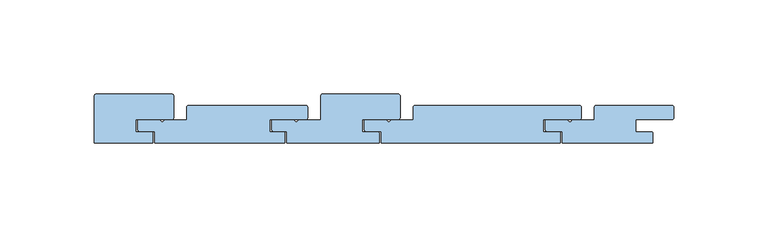
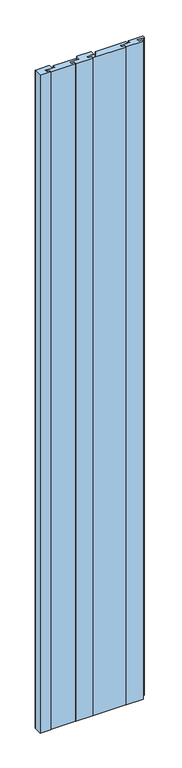
"""IFC4 building model written with IfcOpenShell, lengths in millimetres: window geometry."""

import ifcopenshell
import ifcopenshell.guid

model = None  # the IFC model being written
_history = None  # IfcOwnerHistory: only IFC2X3 demands one
_inside = {}  # id of a spatial element -> (the spatial element, [elements in it])
_under = {}  # id of a project, library or spatial element -> (it, [spatial elements below it])
_declared = {}  # id of a project -> (the project, [libraries it declares])
_typed = {}  # id of a type object -> (the type object, [elements of that type])
_made_of = {}  # id of a material, layer set ... -> (it, [elements and type objects made of it])


def new_model(schema):
    """Start an empty IFC model of exactly this schema.

    Asked for "IFC4X3", IfcOpenShell would pick the latest addendum, in which some entities
    have other attributes; the version numbers below select the first issue.
    IFC2X3 requires an IfcOwnerHistory on every rooted entity: one is made here for all.
    """
    global model, _history
    if schema == "IFC4X3":
        model = ifcopenshell.file(schema_version=(4, 3, 0, 0))
    else:
        model = ifcopenshell.file(schema=schema)
    _inside.clear()
    _under.clear()
    _declared.clear()
    _typed.clear()
    _made_of.clear()
    _history = None
    if model.schema == "IFC2X3":
        org = make("IfcOrganization", Name="unknown")
        user = make(
            "IfcPersonAndOrganization",
            ThePerson=make("IfcPerson", FamilyName="unknown"),
            TheOrganization=org,
        )
        app = make(
            "IfcApplication",
            ApplicationDeveloper=org,
            Version="unknown",
            ApplicationFullName="unknown",
            ApplicationIdentifier="unknown",
        )
        _history = make(
            "IfcOwnerHistory",
            OwningUser=user,
            OwningApplication=app,
            ChangeAction="ADDED",
            CreationDate=0,
        )
    return model


def make(cls, **values):
    """One entity of the class cls with the attributes given. An attribute that is None is left unset."""
    return model.create_entity(
        cls, **{name: value for name, value in values.items() if value is not None}
    )


def rooted(cls, **values):
    """An entity with a GlobalId (a new one), such as an element, a storey or a relation."""
    return make(cls, GlobalId=ifcopenshell.guid.new(), OwnerHistory=_history, **values)


def si_unit(unit_type, name, prefix=None):
    """IfcSIUnit, for example si_unit("LENGTHUNIT", "METRE", prefix="MILLI")."""
    return make("IfcSIUnit", UnitType=unit_type, Prefix=prefix, Name=name)


def assignment(units):
    """IfcUnitAssignment: the units of a project."""
    return None if units is None else make("IfcUnitAssignment", Units=units)


def point(xyz):
    """IfcCartesianPoint."""
    return None if xyz is None else make("IfcCartesianPoint", Coordinates=xyz)


def direction(xyz):
    """IfcDirection."""
    return None if xyz is None else make("IfcDirection", DirectionRatios=xyz)


def frame(location, z_axis=None, x_axis=None):
    """IfcAxis2Placement3D, a coordinate frame: its origin and axes. An axis left out is left unset."""
    return make(
        "IfcAxis2Placement3D",
        Location=point(location),
        Axis=direction(z_axis),
        RefDirection=direction(x_axis),
    )


def origin():
    """The frame at (0, 0, 0) with its axes left unset."""
    return frame((0.0, 0.0, 0.0))


def place(relative_to, where):
    """IfcLocalPlacement: puts the frame where relative to a parent placement (None: the world)."""
    return make(
        "IfcLocalPlacement", PlacementRelTo=relative_to, RelativePlacement=where
    )


def context(
    kind, dimensions, precision=None, world=None, true_north=None, identifier=None
):
    """IfcGeometricRepresentationContext, for example the 3D "Model" context."""
    return make(
        "IfcGeometricRepresentationContext",
        ContextIdentifier=identifier,
        ContextType=kind,
        CoordinateSpaceDimension=dimensions,
        Precision=precision,
        WorldCoordinateSystem=world,
        TrueNorth=true_north,
    )


def project(units=None, contexts=None):
    """IfcProject with its units and contexts."""
    return rooted(
        "IfcProject",
        Name="project",
        RepresentationContexts=contexts,
        UnitsInContext=assignment(units),
    )


def spatial(cls, under=None, at=None, **own):
    """A site, building, storey or space (cls), placed at a placement, below another one or the project."""
    s = rooted(cls, ObjectPlacement=at, **own)
    if under is not None:
        _under.setdefault(under.id(), (under, []))[1].append(s)
    return s


def polyline(points):
    """IfcPolyline through the points."""
    return make("IfcPolyline", Points=[point(p) for p in points])


def circle_curve(where, radius):
    """IfcCircle in the frame where."""
    return make("IfcCircle", Position=where, Radius=radius)


def shape(context_of_items, identifier, shape_type, items):
    """IfcShapeRepresentation: the items that make up one representation, for example the "Body"."""
    return make(
        "IfcShapeRepresentation",
        ContextOfItems=context_of_items,
        RepresentationIdentifier=identifier,
        RepresentationType=shape_type,
        Items=items,
    )


def source(mapping_origin, context_of_items, identifier, shape_type, items):
    """IfcRepresentationMap: a shape defined once, which mapped items show again and again."""
    return make(
        "IfcRepresentationMap",
        MappingOrigin=mapping_origin,
        MappedRepresentation=shape(context_of_items, identifier, shape_type, items),
    )


def transform(
    local_origin,
    x_axis=None,
    y_axis=None,
    z_axis=None,
    scale=None,
    scale2=None,
    scale3=None,
    uniform=True,
):
    """IfcCartesianTransformationOperator3D, or its non-uniform kind. x_axis, y_axis, z_axis: its Axis1, 2, 3."""
    if uniform:
        return make(
            "IfcCartesianTransformationOperator3D",
            Axis1=direction(x_axis),
            Axis2=direction(y_axis),
            LocalOrigin=point(local_origin),
            Scale=scale,
            Axis3=direction(z_axis),
        )
    return make(
        "IfcCartesianTransformationOperator3DnonUniform",
        Axis1=direction(x_axis),
        Axis2=direction(y_axis),
        LocalOrigin=point(local_origin),
        Scale=scale,
        Axis3=direction(z_axis),
        Scale2=scale2,
        Scale3=scale3,
    )


def mapped(mapping_source, mapping_target):
    """IfcMappedItem: shows the shape of a source again, moved by a transform."""
    return make(
        "IfcMappedItem", MappingSource=mapping_source, MappingTarget=mapping_target
    )


def made_of(thing, what):
    """Note that an element or type object is made of a material, layer set ...; save() writes the relation."""
    if what is not None:
        _made_of.setdefault(what.id(), (what, []))[1].append(thing)
    return thing


def element(
    cls,
    number,
    at=None,
    inside=None,
    cuts=None,
    type_object=None,
    material=None,
    context=None,
    identifier="Body",
    shape_type=None,
    held_by="IfcProductDefinitionShape",
    body=None,
    shapes=None,
    **own,
):
    """One element of the class cls, such as IfcWall. Its Tag is "e" and its number.

    at: its placement. inside: the storey or other place that contains it. cuts: it is an
    opening in that element (IfcRelVoidsElement). A single representation is given by context,
    identifier, shape_type and body (its items); several are given by shapes. held_by: the class
    of the entity that holds the representations. save() writes the other relations.
    """
    e = rooted(cls, Tag="e%d" % number, ObjectPlacement=at, **own)
    if body is not None:
        shapes = [shape(context, identifier, shape_type, body)]
    if shapes is not None:
        e.Representation = make(held_by, Representations=shapes)
    if inside is not None:
        _inside.setdefault(inside.id(), (inside, []))[1].append(e)
    if cuts is not None:
        rooted(
            "IfcRelVoidsElement", RelatingBuildingElement=cuts, RelatedOpeningElement=e
        )
    if type_object is not None:
        _typed.setdefault(type_object.id(), (type_object, []))[1].append(e)
    return made_of(e, material)


def aggregate(whole, parts):
    """IfcRelAggregates: a whole, such as a stair, and the parts it consists of."""
    return rooted("IfcRelAggregates", RelatingObject=whole, RelatedObjects=parts)


def save(model, path):
    """Write the relations noted so far, then the file.

    IfcRelAggregates (storeys below a building ...), IfcRelContainedInSpatialStructure (elements
    in a storey), IfcRelDefinesByType, IfcRelAssociatesMaterial and IfcRelDeclares: one each for
    every whole, place, type object, material and project.
    """
    for whole, parts in _under.values():
        aggregate(whole, parts)
    for where, things in _inside.values():
        rooted(
            "IfcRelContainedInSpatialStructure",
            RelatedElements=things,
            RelatingStructure=where,
        )
    for kind, things in _typed.values():
        rooted("IfcRelDefinesByType", RelatedObjects=things, RelatingType=kind)
    for what, things in _made_of.values():
        rooted("IfcRelAssociatesMaterial", RelatedObjects=things, RelatingMaterial=what)
    for by, libraries in _declared.values():
        rooted("IfcRelDeclares", RelatingContext=by, RelatedDefinitions=libraries)
    model.write(path)


def plane_surface(at):
    """IfcPlane: the flat surface through the origin of the frame at, square to its z axis."""
    return make("IfcPlane", Position=at)


def cylinder_surface(at, radius):
    """IfcCylindricalSurface: all points at the distance radius from the z axis of the frame at."""
    return make("IfcCylindricalSurface", Position=at, Radius=radius)


def revolved_surface(curve, axis_point, axis_direction):
    """IfcSurfaceOfRevolution: the curve turned about the line through axis_point along axis_direction."""
    return make(
        "IfcSurfaceOfRevolution",
        SweptCurve=make("IfcArbitraryOpenProfileDef", ProfileType="CURVE", Curve=curve),
        AxisPosition=make("IfcAxis1Placement", Location=point(axis_point), Axis=direction(axis_direction)),
    )


def advanced_brep(points, edges, surfaces, faces):
    """IfcAdvancedBrep: a solid bounded by faces that lie on surfaces and meet in shared edges.

    An edge is (start, end): straight between two places in points (the first is 0);
    or (start, end, curve); or (start, end, curve, False) where it runs against its curve.
    A face is (place in surfaces, loops), or (place, loops, False) where it looks against
    its surface's normal. A loop lists edges by number (the first is 1), with a minus sign
    where the edge is run from its end to its start. The first loop is the outer one.
    """
    corners = [point(p) for p in points]
    vertices = [make("IfcVertexPoint", VertexGeometry=c) for c in corners]
    made = []
    for start, end, *more in edges:
        made.append(
            make(
                "IfcEdgeCurve",
                EdgeStart=vertices[start],
                EdgeEnd=vertices[end],
                EdgeGeometry=more[0] if more else make("IfcPolyline", Points=[corners[start], corners[end]]),
                SameSense=more[1] if len(more) > 1 else True,
            )
        )
    hull = []
    for where, loops, *sense in faces:
        bounds = []
        for j, loop in enumerate(loops):
            ring = [make("IfcOrientedEdge", EdgeElement=made[abs(k) - 1], Orientation=k > 0) for k in loop]
            bounds.append(
                make(
                    "IfcFaceOuterBound" if j == 0 else "IfcFaceBound",
                    Bound=make("IfcEdgeLoop", EdgeList=ring),
                    Orientation=True,
                )
            )
        hull.append(make("IfcAdvancedFace", Bounds=bounds, FaceSurface=surfaces[where], SameSense=sense[0] if sense else True))
    return make("IfcAdvancedBrep", Outer=make("IfcClosedShell", CfsFaces=hull))


def window_e07d62d0(model_context):
    return source(origin(), model_context, "Body", "AdvancedBrep", [
        advanced_brep(
        [(-735.5, 154.25, 100.0), (-736.5, 155.25, 100.0), (-736.5, 160.25, 100.0), (-725.2358303, 160.25, 100.0), (-724.3786704, 159.7465238, 100.0), (-722.6213296, 159.7465238, 100.0), (-721.7593234, 160.25, 100.0), (-710.5, 160.25, 100.0), (-710.5, 173.0000073, 100.0), (-709.4961892, 174.0, 100.0), (-669.5036459, 174.0, 100.0), (-668.5, 172.9818438, 100.0), (-668.5, 161.5, 100.0), (-669.5, 160.5, 100.0), (-688.5, 160.5, 100.0), (-688.5, 154.0, 100.0), (-680.5, 154.0, 100.0), (-679.5, 153.0, 100.0), (-679.5, 148.0, 100.0), (-728.5, 148.0, 100.0), (-728.5, 154.25, 100.0), (-735.5, 154.25, 2100.0), (-728.5, 154.25, 2100.0), (-728.5, 148.0, 2100.0), (-679.5, 148.0, 2100.0), (-679.5, 153.0, 2100.0), (-680.5, 154.0, 2100.0), (-688.5, 154.0, 2100.0), (-688.5, 160.5, 2100.0), (-669.5, 160.5, 2100.0), (-668.5, 161.5, 2100.0), (-668.5, 172.9818438, 2100.0), (-669.5036459, 174.0, 2100.0), (-709.4961892, 174.0, 2100.0), (-710.5, 173.0000073, 2100.0), (-710.5, 160.25, 2100.0), (-721.7593234, 160.25, 2100.0), (-722.6213296, 159.7465238, 2100.0), (-724.3786704, 159.7465238, 2100.0), (-725.2358303, 160.25, 2100.0), (-736.5, 160.25, 2100.0), (-736.5, 155.25, 2100.0)],
        [
            (0, 1, circle_curve(frame((-735.5, 155.25, 100.0), z_axis=(0.0, 0.0, -1.0), x_axis=(-1.0, 0.0, 0.0)), 1.0)),
            (1, 2),
            (2, 3),
            (3, 4, circle_curve(frame((-725.2467275, 159.2500594, 100.0), z_axis=(0.0, 0.0, -1.0), x_axis=(0.8680570812982431, 0.4964644031629814, 0.0)), 1.0)),
            (4, 5, circle_curve(frame((-723.5, 160.2239526, 100.0), z_axis=(0.0, 0.0, 1.0), x_axis=(0.878670405032909, -0.4774288630982668, 0.0)), 1.0)),
            (5, 6, circle_curve(frame((-721.7531214, 159.2497192, 100.0), z_axis=(0.0, 0.0, -1.0), x_axis=(-0.006200139387016843, 0.9999807789510665, 0.0)), 1.0003001)),
            (6, 7),
            (7, 8),
            (8, 9, circle_curve(frame((-709.5, 173.0000073, 100.0), z_axis=(0.0, 0.0, -1.0), x_axis=(0.0038108417907020734, 0.99999273871606, 0.0)), 1.0)),
            (9, 10),
            (10, 11, circle_curve(frame((-669.499835, 173.0000073, 100.0), z_axis=(0.0, 0.0, -1.0), x_axis=(0.9998350304118646, -0.018163478777638065, 0.0)), 1.0)),
            (11, 12),
            (12, 13, circle_curve(frame((-669.5, 161.5, 100.0), z_axis=(0.0, 0.0, -1.0), x_axis=(0.0, -1.0, 0.0)), 1.0)),
            (13, 14),
            (14, 15),
            (15, 16),
            (16, 17, circle_curve(frame((-680.5, 153.0, 100.0), z_axis=(0.0, 0.0, -1.0), x_axis=(1.0, 0.0, 0.0)), 1.0)),
            (17, 18),
            (18, 19),
            (19, 20),
            (20, 0),
            (21, 22),
            (22, 23),
            (23, 24),
            (24, 25),
            (25, 26, circle_curve(frame((-680.5, 153.0, 2100.0), z_axis=(0.0, 0.0, 1.0), x_axis=(1.0, 0.0, 0.0)), 1.0)),
            (26, 27),
            (27, 28),
            (28, 29),
            (29, 30, circle_curve(frame((-669.5, 161.5, 2100.0), z_axis=(0.0, 0.0, 1.0), x_axis=(0.0, -1.0, 0.0)), 1.0)),
            (30, 31),
            (31, 32, circle_curve(frame((-669.499835, 173.0000073, 2100.0), z_axis=(0.0, 0.0, 1.0), x_axis=(0.9998350304118646, -0.018163478777638065, 0.0)), 1.0)),
            (32, 33),
            (33, 34, circle_curve(frame((-709.5, 173.0000073, 2100.0), z_axis=(0.0, 0.0, 1.0), x_axis=(0.0038108417907020734, 0.99999273871606, 0.0)), 1.0)),
            (34, 35),
            (35, 36),
            (36, 37, circle_curve(frame((-721.7531214, 159.2497192, 2100.0), z_axis=(0.0, 0.0, 1.0), x_axis=(-0.006200139387016843, 0.9999807789510665, 0.0)), 1.0003001)),
            (37, 38, circle_curve(frame((-723.5, 160.2239526, 2100.0), z_axis=(0.0, 0.0, -1.0), x_axis=(0.878670405032909, -0.4774288630982668, 0.0)), 1.0)),
            (38, 39, circle_curve(frame((-725.2467275, 159.2500594, 2100.0), z_axis=(0.0, 0.0, 1.0), x_axis=(0.8680570812982431, 0.4964644031629814, 0.0)), 1.0)),
            (39, 40),
            (40, 41),
            (41, 21, circle_curve(frame((-735.5, 155.25, 2100.0), z_axis=(0.0, 0.0, 1.0), x_axis=(-1.0, 0.0, 0.0)), 1.0)),
            (0, 21),
            (41, 1),
            (40, 2),
            (39, 3),
            (38, 4),
            (37, 5),
            (36, 6),
            (35, 7),
            (34, 8),
            (33, 9),
            (32, 10),
            (31, 11),
            (30, 12),
            (29, 13),
            (28, 14),
            (27, 15),
            (26, 16),
            (25, 17),
            (24, 18),
            (23, 19),
            (22, 20),
        ],
        [
            plane_surface(frame((-831.5, 100.0, 100.0), z_axis=(0.0, 0.0, -1.0), x_axis=(1.0, 0.0, 0.0))),
            plane_surface(frame((-831.5, 100.0, 2100.0), z_axis=(0.0, 0.0, 1.0), x_axis=(1.0, 0.0, 0.0))),
            cylinder_surface(frame((-735.5, 155.25, 100.0), z_axis=(0.0, 0.0, -1.0), x_axis=(-1.0, 0.0, 0.0)), 1.0),
            plane_surface(frame((-736.5, 155.25, 100.0), z_axis=(-1.0, 0.0, 0.0), x_axis=(0.0, 0.0, 1.0))),
            plane_surface(frame((-736.5, 160.25, 100.0), z_axis=(0.0, 1.0, 0.0), x_axis=(0.0, 0.0, 1.0))),
            cylinder_surface(frame((-725.2467275, 159.2500594, 100.0), z_axis=(0.0, 0.0, -1.0), x_axis=(0.8680570812982431, 0.4964644031629814, 0.0)), 1.0),
            revolved_surface(polyline([(-722.621329594967, 159.74652373690174, 2100.000000000001), (-722.621329594967, 159.74652373690174, 100.0)]), (-723.5, 160.2239526, 100.0), (0.0, 0.0, 1.0000000000000002)),
            cylinder_surface(frame((-721.7531214, 159.2497192, 100.0), z_axis=(0.0, 0.0, -1.0), x_axis=(-0.006200139387016843, 0.9999807789510665, 0.0)), 1.0003001),
            plane_surface(frame((-721.7593234, 160.25, 100.0), z_axis=(0.0, 1.0, 0.0), x_axis=(0.0, 0.0, 1.0))),
            plane_surface(frame((-710.5, 160.25, 100.0), z_axis=(-1.0, 0.0, 0.0), x_axis=(0.0, 0.0, 1.0))),
            cylinder_surface(frame((-709.5, 173.0000073, 100.0), z_axis=(0.0, 0.0, -1.0), x_axis=(0.0038108417907020734, 0.99999273871606, 0.0)), 1.0),
            plane_surface(frame((-709.4961892, 174.0, 100.0), z_axis=(0.0, 1.0, 0.0), x_axis=(0.0, 0.0, 1.0))),
            cylinder_surface(frame((-669.499835, 173.0000073, 100.0), z_axis=(0.0, 0.0, -1.0), x_axis=(0.9998350304118646, -0.018163478777638065, 0.0)), 1.0),
            plane_surface(frame((-668.5, 172.9818438, 100.0), z_axis=(1.0, 0.0, 0.0), x_axis=(0.0, 0.0, 1.0))),
            cylinder_surface(frame((-669.5, 161.5, 100.0), z_axis=(0.0, 0.0, -1.0), x_axis=(0.0, -1.0, 0.0)), 1.0),
            plane_surface(frame((-669.5, 160.5, 100.0), z_axis=(0.0, -1.0, 0.0), x_axis=(0.0, 0.0, 1.0))),
            plane_surface(frame((-688.5, 160.5, 100.0), z_axis=(1.0, 0.0, 0.0), x_axis=(0.0, 0.0, 1.0))),
            plane_surface(frame((-688.5, 154.0, 100.0), z_axis=(0.0, 1.0, 0.0), x_axis=(0.0, 0.0, 1.0))),
            cylinder_surface(frame((-680.5, 153.0, 100.0), z_axis=(0.0, 0.0, -1.0), x_axis=(1.0, 0.0, 0.0)), 1.0),
            plane_surface(frame((-679.5, 153.0, 100.0), z_axis=(1.0, 0.0, 0.0), x_axis=(0.0, 0.0, 1.0))),
            plane_surface(frame((-679.5, 148.0, 100.0), z_axis=(0.0, -1.0, 0.0), x_axis=(0.0, 0.0, 1.0))),
            plane_surface(frame((-728.5, 148.0, 100.0), z_axis=(-1.0, 0.0, 0.0), x_axis=(0.0, 0.0, 1.0))),
            plane_surface(frame((-728.5, 154.25, 100.0), z_axis=(0.0, -1.0, 0.0), x_axis=(0.0, 0.0, 1.0))),
        ],
        [
            (0, [[1, 2, 3, 4, 5, 6, 7, 8, 9, 10, 11, 12, 13, 14, 15, 16, 17, 18, 19, 20, 21]]),
            (1, [[22, 23, 24, 25, 26, 27, 28, 29, 30, 31, 32, 33, 34, 35, 36, 37, 38, 39, 40, 41, 42]]),
            (2, [[-1, 43, -42, 44]]),
            (3, [[-2, -44, -41, 45]]),
            (4, [[-3, -45, -40, 46]]),
            (5, [[-4, -46, -39, 47]]),
            (6, [[-5, -47, -38, 48]]),
            (7, [[-6, -48, -37, 49]]),
            (8, [[-7, -49, -36, 50]]),
            (9, [[-8, -50, -35, 51]]),
            (10, [[-9, -51, -34, 52]]),
            (11, [[-10, -52, -33, 53]]),
            (12, [[-11, -53, -32, 54]]),
            (13, [[-12, -54, -31, 55]]),
            (14, [[-13, -55, -30, 56]]),
            (15, [[-14, -56, -29, 57]]),
            (16, [[-15, -57, -28, 58]]),
            (17, [[-16, -58, -27, 59]]),
            (18, [[-17, -59, -26, 60]]),
            (19, [[-18, -60, -25, 61]]),
            (20, [[-19, -61, -24, 62]]),
            (21, [[-20, -62, -23, 63]]),
            (22, [[-21, -63, -22, -43]]),
        ],
    ),
        advanced_brep(
        [(-686.5, 154.25, 100.0), (-687.5, 155.25, 100.0), (-687.5, 160.25, 100.0), (-676.2358303, 160.25, 100.0), (-675.3786704, 159.7465238, 100.0), (-673.6213296, 159.7465238, 100.0), (-672.7593234, 160.25, 100.0), (-661.5, 160.25, 100.0), (-661.5, 167.0000073, 100.0), (-660.4961892, 168.0, 100.0), (-573.5036459, 168.0, 100.0), (-572.5, 166.9818438, 100.0), (-572.5, 161.5, 100.0), (-573.5, 160.5, 100.0), (-592.5, 160.5, 100.0), (-592.5, 154.0, 100.0), (-584.5, 154.0, 100.0), (-583.5, 153.0, 100.0), (-583.5, 148.0, 100.0), (-678.5, 148.0, 100.0), (-678.5, 154.25, 100.0), (-686.5, 154.25, 2100.0), (-678.5, 154.25, 2100.0), (-678.5, 148.0, 2100.0), (-583.5, 148.0, 2100.0), (-583.5, 153.0, 2100.0), (-584.5, 154.0, 2100.0), (-592.5, 154.0, 2100.0), (-592.5, 160.5, 2100.0), (-573.5, 160.5, 2100.0), (-572.5, 161.5, 2100.0), (-572.5, 166.9818438, 2100.0), (-573.5036459, 168.0, 2100.0), (-660.4961892, 168.0, 2100.0), (-661.5, 167.0000073, 2100.0), (-661.5, 160.25, 2100.0), (-672.7593234, 160.25, 2100.0), (-673.6213296, 159.7465238, 2100.0), (-675.3786704, 159.7465238, 2100.0), (-676.2358303, 160.25, 2100.0), (-687.5, 160.25, 2100.0), (-687.5, 155.25, 2100.0)],
        [
            (0, 1, circle_curve(frame((-686.5, 155.25, 100.0), z_axis=(0.0, 0.0, -1.0), x_axis=(-1.0, 0.0, 0.0)), 1.0)),
            (1, 2),
            (2, 3),
            (3, 4, circle_curve(frame((-676.2467275, 159.2500594, 100.0), z_axis=(0.0, 0.0, -1.0), x_axis=(0.8680570812982431, 0.4964644031629814, 0.0)), 1.0)),
            (4, 5, circle_curve(frame((-674.5, 160.2239526, 100.0), z_axis=(0.0, 0.0, 1.0), x_axis=(0.878670405032909, -0.4774288630982668, 0.0)), 1.0)),
            (5, 6, circle_curve(frame((-672.7531214, 159.2497192, 100.0), z_axis=(0.0, 0.0, -1.0), x_axis=(-0.006200139387016843, 0.9999807789510665, 0.0)), 1.0003001)),
            (6, 7),
            (7, 8),
            (8, 9, circle_curve(frame((-660.5, 167.0000073, 100.0), z_axis=(0.0, 0.0, -1.0), x_axis=(0.0038108417907020734, 0.99999273871606, 0.0)), 1.0)),
            (9, 10),
            (10, 11, circle_curve(frame((-573.499835, 167.0000073, 100.0), z_axis=(0.0, 0.0, -1.0), x_axis=(0.9998350304118646, -0.018163478777638065, 0.0)), 1.0)),
            (11, 12),
            (12, 13, circle_curve(frame((-573.5, 161.5, 100.0), z_axis=(0.0, 0.0, -1.0), x_axis=(0.0, -1.0, 0.0)), 1.0)),
            (13, 14),
            (14, 15),
            (15, 16),
            (16, 17, circle_curve(frame((-584.5, 153.0, 100.0), z_axis=(0.0, 0.0, -1.0), x_axis=(1.0, 0.0, 0.0)), 1.0)),
            (17, 18),
            (18, 19),
            (19, 20),
            (20, 0),
            (21, 22),
            (22, 23),
            (23, 24),
            (24, 25),
            (25, 26, circle_curve(frame((-584.5, 153.0, 2100.0), z_axis=(0.0, 0.0, 1.0), x_axis=(1.0, 0.0, 0.0)), 1.0)),
            (26, 27),
            (27, 28),
            (28, 29),
            (29, 30, circle_curve(frame((-573.5, 161.5, 2100.0), z_axis=(0.0, 0.0, 1.0), x_axis=(0.0, -1.0, 0.0)), 1.0)),
            (30, 31),
            (31, 32, circle_curve(frame((-573.499835, 167.0000073, 2100.0), z_axis=(0.0, 0.0, 1.0), x_axis=(0.9998350304118646, -0.018163478777638065, 0.0)), 1.0)),
            (32, 33),
            (33, 34, circle_curve(frame((-660.5, 167.0000073, 2100.0), z_axis=(0.0, 0.0, 1.0), x_axis=(0.0038108417907020734, 0.99999273871606, 0.0)), 1.0)),
            (34, 35),
            (35, 36),
            (36, 37, circle_curve(frame((-672.7531214, 159.2497192, 2100.0), z_axis=(0.0, 0.0, 1.0), x_axis=(-0.006200139387016843, 0.9999807789510665, 0.0)), 1.0003001)),
            (37, 38, circle_curve(frame((-674.5, 160.2239526, 2100.0), z_axis=(0.0, 0.0, -1.0), x_axis=(0.878670405032909, -0.4774288630982668, 0.0)), 1.0)),
            (38, 39, circle_curve(frame((-676.2467275, 159.2500594, 2100.0), z_axis=(0.0, 0.0, 1.0), x_axis=(0.8680570812982431, 0.4964644031629814, 0.0)), 1.0)),
            (39, 40),
            (40, 41),
            (41, 21, circle_curve(frame((-686.5, 155.25, 2100.0), z_axis=(0.0, 0.0, 1.0), x_axis=(-1.0, 0.0, 0.0)), 1.0)),
            (0, 21),
            (41, 1),
            (40, 2),
            (39, 3),
            (38, 4),
            (37, 5),
            (36, 6),
            (35, 7),
            (34, 8),
            (33, 9),
            (32, 10),
            (31, 11),
            (30, 12),
            (29, 13),
            (28, 14),
            (27, 15),
            (26, 16),
            (25, 17),
            (24, 18),
            (23, 19),
            (22, 20),
        ],
        [
            plane_surface(frame((-831.5, 100.0, 100.0), z_axis=(0.0, 0.0, -1.0), x_axis=(1.0, 0.0, 0.0))),
            plane_surface(frame((-831.5, 100.0, 2100.0), z_axis=(0.0, 0.0, 1.0), x_axis=(1.0, 0.0, 0.0))),
            cylinder_surface(frame((-686.5, 155.25, 100.0), z_axis=(0.0, 0.0, -1.0), x_axis=(-1.0, 0.0, 0.0)), 1.0),
            plane_surface(frame((-687.5, 155.25, 100.0), z_axis=(-1.0, 0.0, 0.0), x_axis=(0.0, 0.0, 1.0))),
            plane_surface(frame((-687.5, 160.25, 100.0), z_axis=(0.0, 1.0, 0.0), x_axis=(0.0, 0.0, 1.0))),
            cylinder_surface(frame((-676.2467275, 159.2500594, 100.0), z_axis=(0.0, 0.0, -1.0), x_axis=(0.8680570812982431, 0.4964644031629814, 0.0)), 1.0),
            revolved_surface(polyline([(-673.621329594967, 159.74652373690174, 2100.000000000001), (-673.621329594967, 159.74652373690174, 100.0)]), (-674.5, 160.2239526, 100.0), (0.0, 0.0, 1.0000000000000002)),
            cylinder_surface(frame((-672.7531214, 159.2497192, 100.0), z_axis=(0.0, 0.0, -1.0), x_axis=(-0.006200139387016843, 0.9999807789510665, 0.0)), 1.0003001),
            plane_surface(frame((-672.7593234, 160.25, 100.0), z_axis=(0.0, 1.0, 0.0), x_axis=(0.0, 0.0, 1.0))),
            plane_surface(frame((-661.5, 160.25, 100.0), z_axis=(-1.0, 0.0, 0.0), x_axis=(0.0, 0.0, 1.0))),
            cylinder_surface(frame((-660.5, 167.0000073, 100.0), z_axis=(0.0, 0.0, -1.0), x_axis=(0.0038108417907020734, 0.99999273871606, 0.0)), 1.0),
            plane_surface(frame((-660.4961892, 168.0, 100.0), z_axis=(0.0, 1.0, 0.0), x_axis=(0.0, 0.0, 1.0))),
            cylinder_surface(frame((-573.499835, 167.0000073, 100.0), z_axis=(0.0, 0.0, -1.0), x_axis=(0.9998350304118646, -0.018163478777638065, 0.0)), 1.0),
            plane_surface(frame((-572.5, 166.9818438, 100.0), z_axis=(1.0, 0.0, 0.0), x_axis=(0.0, 0.0, 1.0))),
            cylinder_surface(frame((-573.5, 161.5, 100.0), z_axis=(0.0, 0.0, -1.0), x_axis=(0.0, -1.0, 0.0)), 1.0),
            plane_surface(frame((-573.5, 160.5, 100.0), z_axis=(0.0, -1.0, 0.0), x_axis=(0.0, 0.0, 1.0))),
            plane_surface(frame((-592.5, 160.5, 100.0), z_axis=(1.0, 0.0, 0.0), x_axis=(0.0, 0.0, 1.0))),
            plane_surface(frame((-592.5, 154.0, 100.0), z_axis=(0.0, 1.0, 0.0), x_axis=(0.0, 0.0, 1.0))),
            cylinder_surface(frame((-584.5, 153.0, 100.0), z_axis=(0.0, 0.0, -1.0), x_axis=(1.0, 0.0, 0.0)), 1.0),
            plane_surface(frame((-583.5, 153.0, 100.0), z_axis=(1.0, 0.0, 0.0), x_axis=(0.0, 0.0, 1.0))),
            plane_surface(frame((-583.5, 148.0, 100.0), z_axis=(0.0, -1.0, 0.0), x_axis=(0.0, 0.0, 1.0))),
            plane_surface(frame((-678.5, 148.0, 100.0), z_axis=(-1.0, 0.0, 0.0), x_axis=(0.0, 0.0, 1.0))),
            plane_surface(frame((-678.5, 154.25, 100.0), z_axis=(0.0, -1.0, 0.0), x_axis=(0.0, 0.0, 1.0))),
        ],
        [
            (0, [[1, 2, 3, 4, 5, 6, 7, 8, 9, 10, 11, 12, 13, 14, 15, 16, 17, 18, 19, 20, 21]]),
            (1, [[22, 23, 24, 25, 26, 27, 28, 29, 30, 31, 32, 33, 34, 35, 36, 37, 38, 39, 40, 41, 42]]),
            (2, [[-1, 43, -42, 44]]),
            (3, [[-2, -44, -41, 45]]),
            (4, [[-3, -45, -40, 46]]),
            (5, [[-4, -46, -39, 47]]),
            (6, [[-5, -47, -38, 48]]),
            (7, [[-6, -48, -37, 49]]),
            (8, [[-7, -49, -36, 50]]),
            (9, [[-8, -50, -35, 51]]),
            (10, [[-9, -51, -34, 52]]),
            (11, [[-10, -52, -33, 53]]),
            (12, [[-11, -53, -32, 54]]),
            (13, [[-12, -54, -31, 55]]),
            (14, [[-13, -55, -30, 56]]),
            (15, [[-14, -56, -29, 57]]),
            (16, [[-15, -57, -28, 58]]),
            (17, [[-16, -58, -27, 59]]),
            (18, [[-17, -59, -26, 60]]),
            (19, [[-18, -60, -25, 61]]),
            (20, [[-19, -61, -24, 62]]),
            (21, [[-20, -62, -23, 63]]),
            (22, [[-21, -63, -22, -43]]),
        ],
    ),
        advanced_brep(
        [(-590.5, 154.25, 100.0), (-591.5, 155.25, 100.0), (-591.5, 160.25, 100.0), (-580.2358303, 160.25, 100.0), (-579.3786704, 159.7465238, 100.0), (-577.6213296, 159.7465238, 100.0), (-576.7593234, 160.25, 100.0), (-565.5, 160.25, 100.0), (-565.5, 167.0000073, 100.0), (-564.4961892, 168.0, 100.0), (-524.5036459, 168.0, 100.0), (-523.5, 166.9818438, 100.0), (-523.5, 161.5, 100.0), (-524.5, 160.5, 100.0), (-543.5, 160.5, 100.0), (-543.5, 154.0, 100.0), (-535.5, 154.0, 100.0), (-534.5, 153.0, 100.0), (-534.5, 148.0, 100.0), (-582.5, 148.0, 100.0), (-582.5, 154.25, 100.0), (-590.5, 154.25, 2100.0), (-582.5, 154.25, 2100.0), (-582.5, 148.0, 2100.0), (-534.5, 148.0, 2100.0), (-534.5, 153.0, 2100.0), (-535.5, 154.0, 2100.0), (-543.5, 154.0, 2100.0), (-543.5, 160.5, 2100.0), (-524.5, 160.5, 2100.0), (-523.5, 161.5, 2100.0), (-523.5, 166.9818438, 2100.0), (-524.5036459, 168.0, 2100.0), (-564.4961892, 168.0, 2100.0), (-565.5, 167.0000073, 2100.0), (-565.5, 160.25, 2100.0), (-576.7593234, 160.25, 2100.0), (-577.6213296, 159.7465238, 2100.0), (-579.3786704, 159.7465238, 2100.0), (-580.2358303, 160.25, 2100.0), (-591.5, 160.25, 2100.0), (-591.5, 155.25, 2100.0)],
        [
            (0, 1, circle_curve(frame((-590.5, 155.25, 100.0), z_axis=(0.0, 0.0, -1.0), x_axis=(-1.0, 0.0, 0.0)), 1.0)),
            (1, 2),
            (2, 3),
            (3, 4, circle_curve(frame((-580.2467275, 159.2500594, 100.0), z_axis=(0.0, 0.0, -1.0), x_axis=(0.8680570812982431, 0.4964644031629814, 0.0)), 1.0)),
            (4, 5, circle_curve(frame((-578.5, 160.2239526, 100.0), z_axis=(0.0, 0.0, 1.0), x_axis=(0.878670405032909, -0.4774288630982668, 0.0)), 1.0)),
            (5, 6, circle_curve(frame((-576.7531214, 159.2497192, 100.0), z_axis=(0.0, 0.0, -1.0), x_axis=(-0.006200139387016843, 0.9999807789510665, 0.0)), 1.0003001)),
            (6, 7),
            (7, 8),
            (8, 9, circle_curve(frame((-564.5, 167.0000073, 100.0), z_axis=(0.0, 0.0, -1.0), x_axis=(0.0038108417907020734, 0.99999273871606, 0.0)), 1.0)),
            (9, 10),
            (10, 11, circle_curve(frame((-524.499835, 167.0000073, 100.0), z_axis=(0.0, 0.0, -1.0), x_axis=(0.9998350304118646, -0.018163478777638065, 0.0)), 1.0)),
            (11, 12),
            (12, 13, circle_curve(frame((-524.5, 161.5, 100.0), z_axis=(0.0, 0.0, -1.0), x_axis=(0.0, -1.0, 0.0)), 1.0)),
            (13, 14),
            (14, 15),
            (15, 16),
            (16, 17, circle_curve(frame((-535.5, 153.0, 100.0), z_axis=(0.0, 0.0, -1.0), x_axis=(1.0, 0.0, 0.0)), 1.0)),
            (17, 18),
            (18, 19),
            (19, 20),
            (20, 0),
            (21, 22),
            (22, 23),
            (23, 24),
            (24, 25),
            (25, 26, circle_curve(frame((-535.5, 153.0, 2100.0), z_axis=(0.0, 0.0, 1.0), x_axis=(1.0, 0.0, 0.0)), 1.0)),
            (26, 27),
            (27, 28),
            (28, 29),
            (29, 30, circle_curve(frame((-524.5, 161.5, 2100.0), z_axis=(0.0, 0.0, 1.0), x_axis=(0.0, -1.0, 0.0)), 1.0)),
            (30, 31),
            (31, 32, circle_curve(frame((-524.499835, 167.0000073, 2100.0), z_axis=(0.0, 0.0, 1.0), x_axis=(0.9998350304118646, -0.018163478777638065, 0.0)), 1.0)),
            (32, 33),
            (33, 34, circle_curve(frame((-564.5, 167.0000073, 2100.0), z_axis=(0.0, 0.0, 1.0), x_axis=(0.0038108417907020734, 0.99999273871606, 0.0)), 1.0)),
            (34, 35),
            (35, 36),
            (36, 37, circle_curve(frame((-576.7531214, 159.2497192, 2100.0), z_axis=(0.0, 0.0, 1.0), x_axis=(-0.006200139387016843, 0.9999807789510665, 0.0)), 1.0003001)),
            (37, 38, circle_curve(frame((-578.5, 160.2239526, 2100.0), z_axis=(0.0, 0.0, -1.0), x_axis=(0.878670405032909, -0.4774288630982668, 0.0)), 1.0)),
            (38, 39, circle_curve(frame((-580.2467275, 159.2500594, 2100.0), z_axis=(0.0, 0.0, 1.0), x_axis=(0.8680570812982431, 0.4964644031629814, 0.0)), 1.0)),
            (39, 40),
            (40, 41),
            (41, 21, circle_curve(frame((-590.5, 155.25, 2100.0), z_axis=(0.0, 0.0, 1.0), x_axis=(-1.0, 0.0, 0.0)), 1.0)),
            (0, 21),
            (41, 1),
            (40, 2),
            (39, 3),
            (38, 4),
            (37, 5),
            (36, 6),
            (35, 7),
            (34, 8),
            (33, 9),
            (32, 10),
            (31, 11),
            (30, 12),
            (29, 13),
            (28, 14),
            (27, 15),
            (26, 16),
            (25, 17),
            (24, 18),
            (23, 19),
            (22, 20),
        ],
        [
            plane_surface(frame((-831.5, 100.0, 100.0), z_axis=(0.0, 0.0, -1.0), x_axis=(1.0, 0.0, 0.0))),
            plane_surface(frame((-831.5, 100.0, 2100.0), z_axis=(0.0, 0.0, 1.0), x_axis=(1.0, 0.0, 0.0))),
            cylinder_surface(frame((-590.5, 155.25, 100.0), z_axis=(0.0, 0.0, -1.0), x_axis=(-1.0, 0.0, 0.0)), 1.0),
            plane_surface(frame((-591.5, 155.25, 100.0), z_axis=(-1.0, 0.0, 0.0), x_axis=(0.0, 0.0, 1.0))),
            plane_surface(frame((-591.5, 160.25, 100.0), z_axis=(0.0, 1.0, 0.0), x_axis=(0.0, 0.0, 1.0))),
            cylinder_surface(frame((-580.2467275, 159.2500594, 100.0), z_axis=(0.0, 0.0, -1.0), x_axis=(0.8680570812982431, 0.4964644031629814, 0.0)), 1.0),
            revolved_surface(polyline([(-577.621329594967, 159.74652373690174, 2100.000000000001), (-577.621329594967, 159.74652373690174, 100.0)]), (-578.5, 160.2239526, 100.0), (0.0, 0.0, 1.0000000000000002)),
            cylinder_surface(frame((-576.7531214, 159.2497192, 100.0), z_axis=(0.0, 0.0, -1.0), x_axis=(-0.006200139387016843, 0.9999807789510665, 0.0)), 1.0003001),
            plane_surface(frame((-576.7593234, 160.25, 100.0), z_axis=(0.0, 1.0, 0.0), x_axis=(0.0, 0.0, 1.0))),
            plane_surface(frame((-565.5, 160.25, 100.0), z_axis=(-1.0, 0.0, 0.0), x_axis=(0.0, 0.0, 1.0))),
            cylinder_surface(frame((-564.5, 167.0000073, 100.0), z_axis=(0.0, 0.0, -1.0), x_axis=(0.0038108417907020734, 0.99999273871606, 0.0)), 1.0),
            plane_surface(frame((-564.4961892, 168.0, 100.0), z_axis=(0.0, 1.0, 0.0), x_axis=(0.0, 0.0, 1.0))),
            cylinder_surface(frame((-524.499835, 167.0000073, 100.0), z_axis=(0.0, 0.0, -1.0), x_axis=(0.9998350304118646, -0.018163478777638065, 0.0)), 1.0),
            plane_surface(frame((-523.5, 166.9818438, 100.0), z_axis=(1.0, 0.0, 0.0), x_axis=(0.0, 0.0, 1.0))),
            cylinder_surface(frame((-524.5, 161.5, 100.0), z_axis=(0.0, 0.0, -1.0), x_axis=(0.0, -1.0, 0.0)), 1.0),
            plane_surface(frame((-524.5, 160.5, 100.0), z_axis=(0.0, -1.0, 0.0), x_axis=(0.0, 0.0, 1.0))),
            plane_surface(frame((-543.5, 160.5, 100.0), z_axis=(1.0, 0.0, 0.0), x_axis=(0.0, 0.0, 1.0))),
            plane_surface(frame((-543.5, 154.0, 100.0), z_axis=(0.0, 1.0, 0.0), x_axis=(0.0, 0.0, 1.0))),
            cylinder_surface(frame((-535.5, 153.0, 100.0), z_axis=(0.0, 0.0, -1.0), x_axis=(1.0, 0.0, 0.0)), 1.0),
            plane_surface(frame((-534.5, 153.0, 100.0), z_axis=(1.0, 0.0, 0.0), x_axis=(0.0, 0.0, 1.0))),
            plane_surface(frame((-534.5, 148.0, 100.0), z_axis=(0.0, -1.0, 0.0), x_axis=(0.0, 0.0, 1.0))),
            plane_surface(frame((-582.5, 148.0, 100.0), z_axis=(-1.0, 0.0, 0.0), x_axis=(0.0, 0.0, 1.0))),
            plane_surface(frame((-582.5, 154.25, 100.0), z_axis=(0.0, -1.0, 0.0), x_axis=(0.0, 0.0, 1.0))),
        ],
        [
            (0, [[1, 2, 3, 4, 5, 6, 7, 8, 9, 10, 11, 12, 13, 14, 15, 16, 17, 18, 19, 20, 21]]),
            (1, [[22, 23, 24, 25, 26, 27, 28, 29, 30, 31, 32, 33, 34, 35, 36, 37, 38, 39, 40, 41, 42]]),
            (2, [[-1, 43, -42, 44]]),
            (3, [[-2, -44, -41, 45]]),
            (4, [[-3, -45, -40, 46]]),
            (5, [[-4, -46, -39, 47]]),
            (6, [[-5, -47, -38, 48]]),
            (7, [[-6, -48, -37, 49]]),
            (8, [[-7, -49, -36, 50]]),
            (9, [[-8, -50, -35, 51]]),
            (10, [[-9, -51, -34, 52]]),
            (11, [[-10, -52, -33, 53]]),
            (12, [[-11, -53, -32, 54]]),
            (13, [[-12, -54, -31, 55]]),
            (14, [[-13, -55, -30, 56]]),
            (15, [[-14, -56, -29, 57]]),
            (16, [[-15, -57, -28, 58]]),
            (17, [[-16, -58, -27, 59]]),
            (18, [[-17, -59, -26, 60]]),
            (19, [[-18, -60, -25, 61]]),
            (20, [[-19, -61, -24, 62]]),
            (21, [[-20, -62, -23, 63]]),
            (22, [[-21, -63, -22, -43]]),
        ],
    ),
        advanced_brep(
        [(-806.5, 154.25, 100.0), (-807.5, 155.25, 100.0), (-807.5, 160.25, 100.0), (-796.2358303, 160.25, 100.0), (-795.3786704, 159.7465238, 100.0), (-793.6213296, 159.7465238, 100.0), (-792.7593234, 160.25, 100.0), (-781.5, 160.25, 100.0), (-781.5, 167.0000073, 100.0), (-780.4961892, 168.0, 100.0), (-718.5036459, 168.0, 100.0), (-717.5, 166.9818438, 100.0), (-717.5, 161.5, 100.0), (-718.5, 160.5, 100.0), (-737.5, 160.5, 100.0), (-737.5, 154.0, 100.0), (-730.5, 154.0, 100.0), (-729.5, 153.0, 100.0), (-729.5, 148.0, 100.0), (-798.5, 148.0, 100.0), (-798.5, 154.25, 100.0), (-806.5, 154.25, 2100.0), (-798.5, 154.25, 2100.0), (-798.5, 148.0, 2100.0), (-729.5, 148.0, 2100.0), (-729.5, 153.0, 2100.0), (-730.5, 154.0, 2100.0), (-737.5, 154.0, 2100.0), (-737.5, 160.5, 2100.0), (-718.5, 160.5, 2100.0), (-717.5, 161.5, 2100.0), (-717.5, 166.9818438, 2100.0), (-718.5036459, 168.0, 2100.0), (-780.4961892, 168.0, 2100.0), (-781.5, 167.0000073, 2100.0), (-781.5, 160.25, 2100.0), (-792.7593234, 160.25, 2100.0), (-793.6213296, 159.7465238, 2100.0), (-795.3786704, 159.7465238, 2100.0), (-796.2358303, 160.25, 2100.0), (-807.5, 160.25, 2100.0), (-807.5, 155.25, 2100.0)],
        [
            (0, 1, circle_curve(frame((-806.5, 155.25, 100.0), z_axis=(0.0, 0.0, -1.0), x_axis=(-1.0, 0.0, 0.0)), 1.0)),
            (1, 2),
            (2, 3),
            (3, 4, circle_curve(frame((-796.2467275, 159.2500594, 100.0), z_axis=(0.0, 0.0, -1.0), x_axis=(0.8680570812982431, 0.4964644031629814, 0.0)), 1.0)),
            (4, 5, circle_curve(frame((-794.5, 160.2239526, 100.0), z_axis=(0.0, 0.0, 1.0), x_axis=(0.878670405032909, -0.4774288630982668, 0.0)), 1.0)),
            (5, 6, circle_curve(frame((-792.7531214, 159.2497192, 100.0), z_axis=(0.0, 0.0, -1.0), x_axis=(-0.006200139387016843, 0.9999807789510665, 0.0)), 1.0003001)),
            (6, 7),
            (7, 8),
            (8, 9, circle_curve(frame((-780.5, 167.0000073, 100.0), z_axis=(0.0, 0.0, -1.0), x_axis=(0.0038108417907020734, 0.99999273871606, 0.0)), 1.0)),
            (9, 10),
            (10, 11, circle_curve(frame((-718.499835, 167.0000073, 100.0), z_axis=(0.0, 0.0, -1.0), x_axis=(0.9998350304118646, -0.018163478777638065, 0.0)), 1.0)),
            (11, 12),
            (12, 13, circle_curve(frame((-718.5, 161.5, 100.0), z_axis=(0.0, 0.0, -1.0), x_axis=(0.0, -1.0, 0.0)), 1.0)),
            (13, 14),
            (14, 15),
            (15, 16),
            (16, 17, circle_curve(frame((-730.5, 153.0, 100.0), z_axis=(0.0, 0.0, -1.0), x_axis=(1.0, 0.0, 0.0)), 1.0)),
            (17, 18),
            (18, 19),
            (19, 20),
            (20, 0),
            (21, 22),
            (22, 23),
            (23, 24),
            (24, 25),
            (25, 26, circle_curve(frame((-730.5, 153.0, 2100.0), z_axis=(0.0, 0.0, 1.0), x_axis=(1.0, 0.0, 0.0)), 1.0)),
            (26, 27),
            (27, 28),
            (28, 29),
            (29, 30, circle_curve(frame((-718.5, 161.5, 2100.0), z_axis=(0.0, 0.0, 1.0), x_axis=(0.0, -1.0, 0.0)), 1.0)),
            (30, 31),
            (31, 32, circle_curve(frame((-718.499835, 167.0000073, 2100.0), z_axis=(0.0, 0.0, 1.0), x_axis=(0.9998350304118646, -0.018163478777638065, 0.0)), 1.0)),
            (32, 33),
            (33, 34, circle_curve(frame((-780.5, 167.0000073, 2100.0), z_axis=(0.0, 0.0, 1.0), x_axis=(0.0038108417907020734, 0.99999273871606, 0.0)), 1.0)),
            (34, 35),
            (35, 36),
            (36, 37, circle_curve(frame((-792.7531214, 159.2497192, 2100.0), z_axis=(0.0, 0.0, 1.0), x_axis=(-0.006200139387016843, 0.9999807789510665, 0.0)), 1.0003001)),
            (37, 38, circle_curve(frame((-794.5, 160.2239526, 2100.0), z_axis=(0.0, 0.0, -1.0), x_axis=(0.878670405032909, -0.4774288630982668, 0.0)), 1.0)),
            (38, 39, circle_curve(frame((-796.2467275, 159.2500594, 2100.0), z_axis=(0.0, 0.0, 1.0), x_axis=(0.8680570812982431, 0.4964644031629814, 0.0)), 1.0)),
            (39, 40),
            (40, 41),
            (41, 21, circle_curve(frame((-806.5, 155.25, 2100.0), z_axis=(0.0, 0.0, 1.0), x_axis=(-1.0, 0.0, 0.0)), 1.0)),
            (6, 36),
            (35, 7),
            (34, 8),
            (33, 9),
            (32, 10),
            (31, 11),
            (30, 12),
            (29, 13),
            (28, 14),
            (27, 15),
            (26, 16),
            (25, 17),
            (24, 18),
            (23, 19),
            (0, 21),
            (41, 1),
            (40, 2),
            (39, 3),
            (38, 4),
            (37, 5),
            (22, 20),
        ],
        [
            plane_surface(frame((-831.5, 100.0, 100.0), z_axis=(0.0, 0.0, -1.0), x_axis=(1.0, 0.0, 0.0))),
            plane_surface(frame((-831.5, 100.0, 2100.0), z_axis=(0.0, 0.0, 1.0), x_axis=(1.0, 0.0, 0.0))),
            plane_surface(frame((-792.7593234, 160.25, 100.0), z_axis=(0.0, 1.0, 0.0), x_axis=(0.0, 0.0, 1.0))),
            plane_surface(frame((-781.5, 160.25, 100.0), z_axis=(-1.0, 0.0, 0.0), x_axis=(0.0, 0.0, 1.0))),
            cylinder_surface(frame((-780.5, 167.0000073, 100.0), z_axis=(0.0, 0.0, -1.0), x_axis=(0.0038108417907020734, 0.99999273871606, 0.0)), 1.0),
            plane_surface(frame((-780.4961892, 168.0, 100.0), z_axis=(0.0, 1.0, 0.0), x_axis=(0.0, 0.0, 1.0))),
            cylinder_surface(frame((-718.499835, 167.0000073, 100.0), z_axis=(0.0, 0.0, -1.0), x_axis=(0.9998350304118646, -0.018163478777638065, 0.0)), 1.0),
            plane_surface(frame((-717.5, 166.9818438, 100.0), z_axis=(1.0, 0.0, 0.0), x_axis=(0.0, 0.0, 1.0))),
            cylinder_surface(frame((-718.5, 161.5, 100.0), z_axis=(0.0, 0.0, -1.0), x_axis=(0.0, -1.0, 0.0)), 1.0),
            plane_surface(frame((-718.5, 160.5, 100.0), z_axis=(0.0, -1.0, 0.0), x_axis=(0.0, 0.0, 1.0))),
            plane_surface(frame((-737.5, 160.5, 100.0), z_axis=(1.0, 0.0, 0.0), x_axis=(0.0, 0.0, 1.0))),
            plane_surface(frame((-737.5, 154.0, 100.0), z_axis=(0.0, 1.0, 0.0), x_axis=(0.0, 0.0, 1.0))),
            cylinder_surface(frame((-730.5, 153.0, 100.0), z_axis=(0.0, 0.0, -1.0), x_axis=(1.0, 0.0, 0.0)), 1.0),
            plane_surface(frame((-729.5, 153.0, 100.0), z_axis=(1.0, 0.0, 0.0), x_axis=(0.0, 0.0, 1.0))),
            plane_surface(frame((-729.5, 148.0, 100.0), z_axis=(0.0, -1.0, 0.0), x_axis=(0.0, 0.0, 1.0))),
            cylinder_surface(frame((-806.5, 155.25, 100.0), z_axis=(0.0, 0.0, -1.0), x_axis=(-1.0, 0.0, 0.0)), 1.0),
            plane_surface(frame((-807.5, 155.25, 100.0), z_axis=(-1.0, 0.0, 0.0), x_axis=(0.0, 0.0, 1.0))),
            plane_surface(frame((-807.5, 160.25, 100.0), z_axis=(0.0, 1.0, 0.0), x_axis=(0.0, 0.0, 1.0))),
            cylinder_surface(frame((-796.2467275, 159.2500594, 100.0), z_axis=(0.0, 0.0, -1.0), x_axis=(0.8680570812982431, 0.4964644031629814, 0.0)), 1.0),
            revolved_surface(polyline([(-793.621329594967, 159.74652373690174, 2100.000000000001), (-793.621329594967, 159.74652373690174, 100.0)]), (-794.5, 160.2239526, 100.0), (0.0, 0.0, 1.0000000000000002)),
            cylinder_surface(frame((-792.7531214, 159.2497192, 100.0), z_axis=(0.0, 0.0, -1.0), x_axis=(-0.006200139387016843, 0.9999807789510665, 0.0)), 1.0003001),
            plane_surface(frame((-798.5, 148.0, 100.0), z_axis=(-1.0, 0.0, 0.0), x_axis=(0.0, 0.0, 1.0))),
            plane_surface(frame((-798.5, 154.25, 100.0), z_axis=(0.0, -1.0, 0.0), x_axis=(0.0, 0.0, 1.0))),
        ],
        [
            (0, [[1, 2, 3, 4, 5, 6, 7, 8, 9, 10, 11, 12, 13, 14, 15, 16, 17, 18, 19, 20, 21]]),
            (1, [[22, 23, 24, 25, 26, 27, 28, 29, 30, 31, 32, 33, 34, 35, 36, 37, 38, 39, 40, 41, 42]]),
            (2, [[-7, 43, -36, 44]]),
            (3, [[-8, -44, -35, 45]]),
            (4, [[-9, -45, -34, 46]]),
            (5, [[-10, -46, -33, 47]]),
            (6, [[-11, -47, -32, 48]]),
            (7, [[-12, -48, -31, 49]]),
            (8, [[-13, -49, -30, 50]]),
            (9, [[-14, -50, -29, 51]]),
            (10, [[-15, -51, -28, 52]]),
            (11, [[-16, -52, -27, 53]]),
            (12, [[-17, -53, -26, 54]]),
            (13, [[-18, -54, -25, 55]]),
            (14, [[-19, -55, -24, 56]]),
            (15, [[-1, 57, -42, 58]]),
            (16, [[-2, -58, -41, 59]]),
            (17, [[-3, -59, -40, 60]]),
            (18, [[-4, -60, -39, 61]]),
            (19, [[-5, -61, -38, 62]]),
            (20, [[-6, -62, -37, -43]]),
            (21, [[-20, -56, -23, 63]]),
            (22, [[-21, -63, -22, -57]]),
        ],
    ),
        advanced_brep(
        [(-800.5, 154.0, 100.0), (-799.5, 153.0, 100.0), (-799.5, 148.0, 100.0), (-830.5, 148.0, 100.0), (-830.5, 173.0000073, 100.0), (-829.4961892, 174.0, 100.0), (-828.5, 174.0, 100.0), (-792.5, 174.0, 100.0), (-789.5036459, 174.0, 100.0), (-788.5, 172.9818438, 100.0), (-788.5, 161.5, 100.0), (-789.5, 160.5, 100.0), (-808.5, 160.5, 100.0), (-808.5, 154.0, 100.0), (-800.5, 154.0, 2100.0), (-808.5, 154.0, 2100.0), (-808.5, 160.5, 2100.0), (-789.5, 160.5, 2100.0), (-788.5, 161.5, 2100.0), (-788.5, 172.9818438, 2100.0), (-789.5036459, 174.0, 2100.0), (-792.5, 174.0, 2100.0), (-828.5, 174.0, 2100.0), (-829.4961892, 174.0, 2100.0), (-830.5, 173.0000073, 2100.0), (-830.5, 148.0, 2100.0), (-799.5, 148.0, 2100.0), (-799.5, 153.0, 2100.0)],
        [
            (0, 1, circle_curve(frame((-800.5, 153.0, 100.0), z_axis=(0.0, 0.0, -1.0), x_axis=(1.0, 0.0, 0.0)), 1.0)),
            (1, 2),
            (2, 3),
            (3, 4),
            (4, 5, circle_curve(frame((-829.5, 173.0000073, 100.0), z_axis=(0.0, 0.0, -1.0), x_axis=(0.0038108417907020734, 0.99999273871606, 0.0)), 1.0)),
            (5, 6),
            (6, 7),
            (7, 8),
            (8, 9, circle_curve(frame((-789.499835, 173.0000073, 100.0), z_axis=(0.0, 0.0, -1.0), x_axis=(0.9998350304118646, -0.018163478777638065, 0.0)), 1.0)),
            (9, 10),
            (10, 11, circle_curve(frame((-789.5, 161.5, 100.0), z_axis=(0.0, 0.0, -1.0), x_axis=(0.0, -1.0, 0.0)), 1.0)),
            (11, 12),
            (12, 13),
            (13, 0),
            (14, 15),
            (15, 16),
            (16, 17),
            (17, 18, circle_curve(frame((-789.5, 161.5, 2100.0), z_axis=(0.0, 0.0, 1.0), x_axis=(0.0, -1.0, 0.0)), 1.0)),
            (18, 19),
            (19, 20, circle_curve(frame((-789.499835, 173.0000073, 2100.0), z_axis=(0.0, 0.0, 1.0), x_axis=(0.9998350304118646, -0.018163478777638065, 0.0)), 1.0)),
            (20, 21),
            (21, 22),
            (22, 23),
            (23, 24, circle_curve(frame((-829.5, 173.0000073, 2100.0), z_axis=(0.0, 0.0, 1.0), x_axis=(0.0038108417907020734, 0.99999273871606, 0.0)), 1.0)),
            (24, 25),
            (25, 26),
            (26, 27),
            (27, 14, circle_curve(frame((-800.5, 153.0, 2100.0), z_axis=(0.0, 0.0, 1.0), x_axis=(1.0, 0.0, 0.0)), 1.0)),
            (3, 25),
            (24, 4),
            (23, 5),
            (20, 8),
            (19, 9),
            (18, 10),
            (17, 11),
            (16, 12),
            (0, 14),
            (27, 1),
            (26, 2),
            (15, 13),
        ],
        [
            plane_surface(frame((-831.5, 100.0, 100.0), z_axis=(0.0, 0.0, -1.0), x_axis=(1.0, 0.0, 0.0))),
            plane_surface(frame((-831.5, 100.0, 2100.0), z_axis=(0.0, 0.0, 1.0), x_axis=(1.0, 0.0, 0.0))),
            plane_surface(frame((-830.5, 148.0, 100.0), z_axis=(-1.0, 0.0, 0.0), x_axis=(0.0, 0.0, 1.0))),
            cylinder_surface(frame((-829.5, 173.0000073, 100.0), z_axis=(0.0, 0.0, -1.0), x_axis=(0.0038108417907020734, 0.99999273871606, 0.0)), 1.0),
            plane_surface(frame((-829.4961892, 174.0, 100.0), z_axis=(0.0, 1.0, 0.0), x_axis=(0.0, 0.0, 1.0))),
            cylinder_surface(frame((-789.499835, 173.0000073, 100.0), z_axis=(0.0, 0.0, -1.0), x_axis=(0.9998350304118646, -0.018163478777638065, 0.0)), 1.0),
            plane_surface(frame((-788.5, 172.9818438, 100.0), z_axis=(1.0, 0.0, 0.0), x_axis=(0.0, 0.0, 1.0))),
            cylinder_surface(frame((-789.5, 161.5, 100.0), z_axis=(0.0, 0.0, -1.0), x_axis=(0.0, -1.0, 0.0)), 1.0),
            plane_surface(frame((-789.5, 160.5, 100.0), z_axis=(0.0, -1.0, 0.0), x_axis=(0.0, 0.0, 1.0))),
            cylinder_surface(frame((-800.5, 153.0, 100.0), z_axis=(0.0, 0.0, -1.0), x_axis=(1.0, 0.0, 0.0)), 1.0),
            plane_surface(frame((-799.5, 153.0, 100.0), z_axis=(1.0, 0.0, 0.0), x_axis=(0.0, 0.0, 1.0))),
            plane_surface(frame((-799.5, 148.0, 100.0), z_axis=(0.0, -1.0, 0.0), x_axis=(0.0, 0.0, 1.0))),
            plane_surface(frame((-808.5, 160.5, 100.0), z_axis=(1.0, 0.0, 0.0), x_axis=(0.0, 0.0, 1.0))),
            plane_surface(frame((-808.5, 154.0, 100.0), z_axis=(0.0, 1.0, 0.0), x_axis=(0.0, 0.0, 1.0))),
        ],
        [
            (0, [[1, 2, 3, 4, 5, 6, 7, 8, 9, 10, 11, 12, 13, 14]]),
            (1, [[15, 16, 17, 18, 19, 20, 21, 22, 23, 24, 25, 26, 27, 28]]),
            (2, [[-4, 29, -25, 30]]),
            (3, [[-5, -30, -24, 31]]),
            (4, [[-31, -23, -22, -21, 32, -8, -7, -6]]),
            (5, [[-9, -32, -20, 33]]),
            (6, [[-10, -33, -19, 34]]),
            (7, [[-11, -34, -18, 35]]),
            (8, [[-12, -35, -17, 36]]),
            (9, [[-1, 37, -28, 38]]),
            (10, [[-2, -38, -27, 39]]),
            (11, [[-3, -39, -26, -29]]),
            (12, [[-13, -36, -16, 40]]),
            (13, [[-14, -40, -15, -37]]),
        ],
    ),
    ])


if __name__ == "__main__":
    model = new_model("IFC4")
    model_context = context("Model", 3, world=origin())
    ifc_project = project(units=[si_unit("LENGTHUNIT", "METRE", prefix="MILLI")], contexts=[model_context])
    site = spatial("IfcSite", under=ifc_project)
    building = spatial("IfcBuilding", under=site)
    placement = place(None, origin())
    window_shape = window_e07d62d0(model_context)
    element("IfcWindow", 1, at=placement, inside=building, context=model_context, shape_type="MappedRepresentation", body=[
        mapped(window_shape, transform((0.0, 0.0, 0.0), x_axis=(1.0, 0.0, 0.0), y_axis=(0.0, 1.0, 0.0), z_axis=(0.0, 0.0, 1.0))),
    ])
    save(model, "model.ifc")
